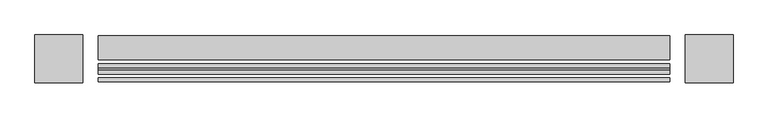
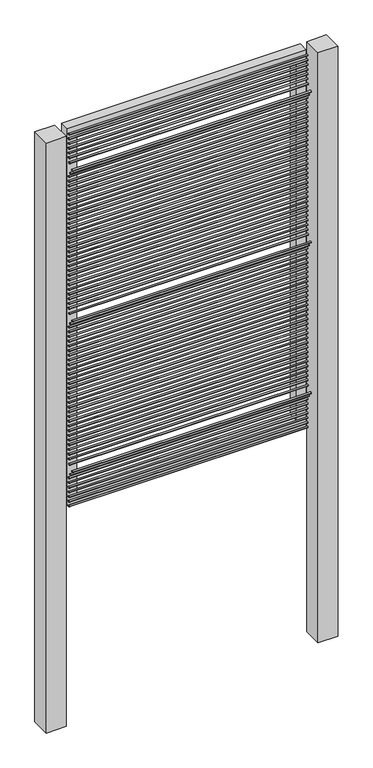
"""IFC4 building model written with IfcOpenShell, lengths in millimetres: railing geometry."""

from ifc_helpers import new_model, si_unit, point, frame, frame_2d, origin, place, context, project, spatial, polyline, circle_curve, trimmed, segment, composite_curve, outline, extrude, source, transform, mapped, element, save


def railing_7e72e81d(model_context):
    return source(origin(), model_context, "Body", "SweptSolid", [
        extrude(outline(composite_curve([segment(trimmed(circle_curve(frame_2d((13579.8304142, 28.575)), 3.175), [point((13576.6554142, 28.575))], [point((13583.0054142, 28.575))], False, "CARTESIAN"), True, "CONTINUOUS"), segment(trimmed(circle_curve(frame_2d((13579.8304142, 28.575)), 3.175), [point((13583.0054142, 28.575))], [point((13576.6554142, 28.575))], False, "CARTESIAN"), True, "CONTINUOUS")], self_intersect=False)), frame((-20979.3806958, 0.0, 0.0), z_axis=(1.0, 0.0, 0.0), x_axis=(0.0, 1.0, 0.0)), (0.0, 0.0, 1.0), 914.4),
        extrude(outline(composite_curve([segment(trimmed(circle_curve(frame_2d((13579.8304142, 47.625)), 3.175), [point((13576.6554142, 47.625))], [point((13583.0054142, 47.625))], False, "CARTESIAN"), True, "CONTINUOUS"), segment(trimmed(circle_curve(frame_2d((13579.8304142, 47.625)), 3.175), [point((13583.0054142, 47.625))], [point((13576.6554142, 47.625))], False, "CARTESIAN"), True, "CONTINUOUS")], self_intersect=False)), frame((-20979.3806958, 0.0, 0.0), z_axis=(1.0, 0.0, 0.0), x_axis=(0.0, 1.0, 0.0)), (0.0, 0.0, 1.0), 914.4),
        extrude(outline(composite_curve([segment(trimmed(circle_curve(frame_2d((13579.8304142, 66.675)), 3.175), [point((13576.6554142, 66.675))], [point((13583.0054142, 66.675))], False, "CARTESIAN"), True, "CONTINUOUS"), segment(trimmed(circle_curve(frame_2d((13579.8304142, 66.675)), 3.175), [point((13583.0054142, 66.675))], [point((13576.6554142, 66.675))], False, "CARTESIAN"), True, "CONTINUOUS")], self_intersect=False)), frame((-20979.3806958, 0.0, 0.0), z_axis=(1.0, 0.0, 0.0), x_axis=(0.0, 1.0, 0.0)), (0.0, 0.0, 1.0), 914.4),
        extrude(outline(composite_curve([segment(trimmed(circle_curve(frame_2d((13579.8304142, 85.725)), 3.175), [point((13576.6554142, 85.725))], [point((13583.0054142, 85.725))], False, "CARTESIAN"), True, "CONTINUOUS"), segment(trimmed(circle_curve(frame_2d((13579.8304142, 85.725)), 3.175), [point((13583.0054142, 85.725))], [point((13576.6554142, 85.725))], False, "CARTESIAN"), True, "CONTINUOUS")], self_intersect=False)), frame((-20979.3806958, 0.0, 0.0), z_axis=(1.0, 0.0, 0.0), x_axis=(0.0, 1.0, 0.0)), (0.0, 0.0, 1.0), 914.4),
        extrude(outline(composite_curve([segment(trimmed(circle_curve(frame_2d((13579.8304142, 104.775)), 3.175), [point((13576.6554142, 104.775))], [point((13583.0054142, 104.775))], False, "CARTESIAN"), True, "CONTINUOUS"), segment(trimmed(circle_curve(frame_2d((13579.8304142, 104.775)), 3.175), [point((13583.0054142, 104.775))], [point((13576.6554142, 104.775))], False, "CARTESIAN"), True, "CONTINUOUS")], self_intersect=False)), frame((-20979.3806958, 0.0, 0.0), z_axis=(1.0, 0.0, 0.0), x_axis=(0.0, 1.0, 0.0)), (0.0, 0.0, 1.0), 914.4),
        extrude(outline(composite_curve([segment(trimmed(circle_curve(frame_2d((13579.8304142, 123.825)), 3.175), [point((13576.6554142, 123.825))], [point((13583.0054142, 123.825))], False, "CARTESIAN"), True, "CONTINUOUS"), segment(trimmed(circle_curve(frame_2d((13579.8304142, 123.825)), 3.175), [point((13583.0054142, 123.825))], [point((13576.6554142, 123.825))], False, "CARTESIAN"), True, "CONTINUOUS")], self_intersect=False)), frame((-20979.3806958, 0.0, 0.0), z_axis=(1.0, 0.0, 0.0), x_axis=(0.0, 1.0, 0.0)), (0.0, 0.0, 1.0), 914.4),
        extrude(outline(composite_curve([segment(trimmed(circle_curve(frame_2d((13579.8304142, 142.875)), 3.175), [point((13576.6554142, 142.875))], [point((13583.0054142, 142.875))], False, "CARTESIAN"), True, "CONTINUOUS"), segment(trimmed(circle_curve(frame_2d((13579.8304142, 142.875)), 3.175), [point((13583.0054142, 142.875))], [point((13576.6554142, 142.875))], False, "CARTESIAN"), True, "CONTINUOUS")], self_intersect=False)), frame((-20979.3806958, 0.0, 0.0), z_axis=(1.0, 0.0, 0.0), x_axis=(0.0, 1.0, 0.0)), (0.0, 0.0, 1.0), 914.4),
        extrude(outline(composite_curve([segment(trimmed(circle_curve(frame_2d((13570.1771382, 161.925)), 3.175), [point((13567.0021382, 161.925))], [point((13573.3521382, 161.925))], False, "CARTESIAN"), True, "CONTINUOUS"), segment(trimmed(circle_curve(frame_2d((13570.1771382, 161.925)), 3.175), [point((13573.3521382, 161.925))], [point((13567.0021382, 161.925))], False, "CARTESIAN"), True, "CONTINUOUS")], self_intersect=False)), frame((-20979.3806958, 0.0, 0.0), z_axis=(1.0, 0.0, 0.0), x_axis=(0.0, 1.0, 0.0)), (0.0, 0.0, 1.0), 914.4),
        extrude(outline(composite_curve([segment(trimmed(circle_curve(frame_2d((13557.4771382, 180.975)), 3.175), [point((13554.3021382, 180.975))], [point((13560.6521382, 180.975))], False, "CARTESIAN"), True, "CONTINUOUS"), segment(trimmed(circle_curve(frame_2d((13557.4771382, 180.975)), 3.175), [point((13560.6521382, 180.975))], [point((13554.3021382, 180.975))], False, "CARTESIAN"), True, "CONTINUOUS")], self_intersect=False)), frame((-20979.3806958, 0.0, 0.0), z_axis=(1.0, 0.0, 0.0), x_axis=(0.0, 1.0, 0.0)), (0.0, 0.0, 1.0), 914.4),
        extrude(outline(composite_curve([segment(trimmed(circle_curve(frame_2d((13576.2585392, 200.025)), 3.175), [point((13573.0835392, 200.025))], [point((13579.4335392, 200.025))], False, "CARTESIAN"), True, "CONTINUOUS"), segment(trimmed(circle_curve(frame_2d((13576.2585392, 200.025)), 3.175), [point((13579.4335392, 200.025))], [point((13573.0835392, 200.025))], False, "CARTESIAN"), True, "CONTINUOUS")], self_intersect=False)), frame((-20979.3806958, 0.0, 0.0), z_axis=(1.0, 0.0, 0.0), x_axis=(0.0, 1.0, 0.0)), (0.0, 0.0, 1.0), 914.4),
        extrude(outline(composite_curve([segment(trimmed(circle_curve(frame_2d((13579.8304142, 219.075)), 3.175), [point((13576.6554142, 219.075))], [point((13583.0054142, 219.075))], False, "CARTESIAN"), True, "CONTINUOUS"), segment(trimmed(circle_curve(frame_2d((13579.8304142, 219.075)), 3.175), [point((13583.0054142, 219.075))], [point((13576.6554142, 219.075))], False, "CARTESIAN"), True, "CONTINUOUS")], self_intersect=False)), frame((-20979.3806958, 0.0, 0.0), z_axis=(1.0, 0.0, 0.0), x_axis=(0.0, 1.0, 0.0)), (0.0, 0.0, 1.0), 914.4),
        extrude(outline(composite_curve([segment(trimmed(circle_curve(frame_2d((13579.8304142, 238.125)), 3.175), [point((13576.6554142, 238.125))], [point((13583.0054142, 238.125))], False, "CARTESIAN"), True, "CONTINUOUS"), segment(trimmed(circle_curve(frame_2d((13579.8304142, 238.125)), 3.175), [point((13583.0054142, 238.125))], [point((13576.6554142, 238.125))], False, "CARTESIAN"), True, "CONTINUOUS")], self_intersect=False)), frame((-20979.3806958, 0.0, 0.0), z_axis=(1.0, 0.0, 0.0), x_axis=(0.0, 1.0, 0.0)), (0.0, 0.0, 1.0), 914.4),
        extrude(outline(composite_curve([segment(trimmed(circle_curve(frame_2d((13579.8304142, 257.175)), 3.175), [point((13576.6554142, 257.175))], [point((13583.0054142, 257.175))], False, "CARTESIAN"), True, "CONTINUOUS"), segment(trimmed(circle_curve(frame_2d((13579.8304142, 257.175)), 3.175), [point((13583.0054142, 257.175))], [point((13576.6554142, 257.175))], False, "CARTESIAN"), True, "CONTINUOUS")], self_intersect=False)), frame((-20979.3806958, 0.0, 0.0), z_axis=(1.0, 0.0, 0.0), x_axis=(0.0, 1.0, 0.0)), (0.0, 0.0, 1.0), 914.4),
        extrude(outline(composite_curve([segment(trimmed(circle_curve(frame_2d((13579.8304142, 276.225)), 3.175), [point((13576.6554142, 276.225))], [point((13583.0054142, 276.225))], False, "CARTESIAN"), True, "CONTINUOUS"), segment(trimmed(circle_curve(frame_2d((13579.8304142, 276.225)), 3.175), [point((13583.0054142, 276.225))], [point((13576.6554142, 276.225))], False, "CARTESIAN"), True, "CONTINUOUS")], self_intersect=False)), frame((-20979.3806958, 0.0, 0.0), z_axis=(1.0, 0.0, 0.0), x_axis=(0.0, 1.0, 0.0)), (0.0, 0.0, 1.0), 914.4),
        extrude(outline(composite_curve([segment(trimmed(circle_curve(frame_2d((13579.8304142, 295.275)), 3.175), [point((13576.6554142, 295.275))], [point((13583.0054142, 295.275))], False, "CARTESIAN"), True, "CONTINUOUS"), segment(trimmed(circle_curve(frame_2d((13579.8304142, 295.275)), 3.175), [point((13583.0054142, 295.275))], [point((13576.6554142, 295.275))], False, "CARTESIAN"), True, "CONTINUOUS")], self_intersect=False)), frame((-20979.3806958, 0.0, 0.0), z_axis=(1.0, 0.0, 0.0), x_axis=(0.0, 1.0, 0.0)), (0.0, 0.0, 1.0), 914.4),
        extrude(outline(composite_curve([segment(trimmed(circle_curve(frame_2d((13579.8304142, 314.325)), 3.175), [point((13576.6554142, 314.325))], [point((13583.0054142, 314.325))], False, "CARTESIAN"), True, "CONTINUOUS"), segment(trimmed(circle_curve(frame_2d((13579.8304142, 314.325)), 3.175), [point((13583.0054142, 314.325))], [point((13576.6554142, 314.325))], False, "CARTESIAN"), True, "CONTINUOUS")], self_intersect=False)), frame((-20979.3806958, 0.0, 0.0), z_axis=(1.0, 0.0, 0.0), x_axis=(0.0, 1.0, 0.0)), (0.0, 0.0, 1.0), 914.4),
        extrude(outline(composite_curve([segment(trimmed(circle_curve(frame_2d((13579.8304142, 333.375)), 3.175), [point((13576.6554142, 333.375))], [point((13583.0054142, 333.375))], False, "CARTESIAN"), True, "CONTINUOUS"), segment(trimmed(circle_curve(frame_2d((13579.8304142, 333.375)), 3.175), [point((13583.0054142, 333.375))], [point((13576.6554142, 333.375))], False, "CARTESIAN"), True, "CONTINUOUS")], self_intersect=False)), frame((-20979.3806958, 0.0, 0.0), z_axis=(1.0, 0.0, 0.0), x_axis=(0.0, 1.0, 0.0)), (0.0, 0.0, 1.0), 914.4),
        extrude(outline(composite_curve([segment(trimmed(circle_curve(frame_2d((13579.8304142, 352.425)), 3.175), [point((13576.6554142, 352.425))], [point((13583.0054142, 352.425))], False, "CARTESIAN"), True, "CONTINUOUS"), segment(trimmed(circle_curve(frame_2d((13579.8304142, 352.425)), 3.175), [point((13583.0054142, 352.425))], [point((13576.6554142, 352.425))], False, "CARTESIAN"), True, "CONTINUOUS")], self_intersect=False)), frame((-20979.3806958, 0.0, 0.0), z_axis=(1.0, 0.0, 0.0), x_axis=(0.0, 1.0, 0.0)), (0.0, 0.0, 1.0), 914.4),
        extrude(outline(composite_curve([segment(trimmed(circle_curve(frame_2d((13579.8304142, 371.475)), 3.175), [point((13576.6554142, 371.475))], [point((13583.0054142, 371.475))], False, "CARTESIAN"), True, "CONTINUOUS"), segment(trimmed(circle_curve(frame_2d((13579.8304142, 371.475)), 3.175), [point((13583.0054142, 371.475))], [point((13576.6554142, 371.475))], False, "CARTESIAN"), True, "CONTINUOUS")], self_intersect=False)), frame((-20979.3806958, 0.0, 0.0), z_axis=(1.0, 0.0, 0.0), x_axis=(0.0, 1.0, 0.0)), (0.0, 0.0, 1.0), 914.4),
        extrude(outline(composite_curve([segment(trimmed(circle_curve(frame_2d((13579.8304142, 390.525)), 3.175), [point((13576.6554142, 390.525))], [point((13583.0054142, 390.525))], False, "CARTESIAN"), True, "CONTINUOUS"), segment(trimmed(circle_curve(frame_2d((13579.8304142, 390.525)), 3.175), [point((13583.0054142, 390.525))], [point((13576.6554142, 390.525))], False, "CARTESIAN"), True, "CONTINUOUS")], self_intersect=False)), frame((-20979.3806958, 0.0, 0.0), z_axis=(1.0, 0.0, 0.0), x_axis=(0.0, 1.0, 0.0)), (0.0, 0.0, 1.0), 914.4),
        extrude(outline(composite_curve([segment(trimmed(circle_curve(frame_2d((13579.8304142, 409.575)), 3.175), [point((13576.6554142, 409.575))], [point((13583.0054142, 409.575))], False, "CARTESIAN"), True, "CONTINUOUS"), segment(trimmed(circle_curve(frame_2d((13579.8304142, 409.575)), 3.175), [point((13583.0054142, 409.575))], [point((13576.6554142, 409.575))], False, "CARTESIAN"), True, "CONTINUOUS")], self_intersect=False)), frame((-20979.3806958, 0.0, 0.0), z_axis=(1.0, 0.0, 0.0), x_axis=(0.0, 1.0, 0.0)), (0.0, 0.0, 1.0), 914.4),
        extrude(outline(composite_curve([segment(trimmed(circle_curve(frame_2d((13579.8304142, 428.625)), 3.175), [point((13576.6554142, 428.625))], [point((13583.0054142, 428.625))], False, "CARTESIAN"), True, "CONTINUOUS"), segment(trimmed(circle_curve(frame_2d((13579.8304142, 428.625)), 3.175), [point((13583.0054142, 428.625))], [point((13576.6554142, 428.625))], False, "CARTESIAN"), True, "CONTINUOUS")], self_intersect=False)), frame((-20979.3806958, 0.0, 0.0), z_axis=(1.0, 0.0, 0.0), x_axis=(0.0, 1.0, 0.0)), (0.0, 0.0, 1.0), 914.4),
        extrude(outline(composite_curve([segment(trimmed(circle_curve(frame_2d((13579.8304142, 447.675)), 3.175), [point((13576.6554142, 447.675))], [point((13583.0054142, 447.675))], False, "CARTESIAN"), True, "CONTINUOUS"), segment(trimmed(circle_curve(frame_2d((13579.8304142, 447.675)), 3.175), [point((13583.0054142, 447.675))], [point((13576.6554142, 447.675))], False, "CARTESIAN"), True, "CONTINUOUS")], self_intersect=False)), frame((-20979.3806958, 0.0, 0.0), z_axis=(1.0, 0.0, 0.0), x_axis=(0.0, 1.0, 0.0)), (0.0, 0.0, 1.0), 914.4),
        extrude(outline(composite_curve([segment(trimmed(circle_curve(frame_2d((13579.8304142, 466.725)), 3.175), [point((13576.6554142, 466.725))], [point((13583.0054142, 466.725))], False, "CARTESIAN"), True, "CONTINUOUS"), segment(trimmed(circle_curve(frame_2d((13579.8304142, 466.725)), 3.175), [point((13583.0054142, 466.725))], [point((13576.6554142, 466.725))], False, "CARTESIAN"), True, "CONTINUOUS")], self_intersect=False)), frame((-20979.3806958, 0.0, 0.0), z_axis=(1.0, 0.0, 0.0), x_axis=(0.0, 1.0, 0.0)), (0.0, 0.0, 1.0), 914.4),
        extrude(outline(composite_curve([segment(trimmed(circle_curve(frame_2d((13579.8304142, 485.775)), 3.175), [point((13576.6554142, 485.775))], [point((13583.0054142, 485.775))], False, "CARTESIAN"), True, "CONTINUOUS"), segment(trimmed(circle_curve(frame_2d((13579.8304142, 485.775)), 3.175), [point((13583.0054142, 485.775))], [point((13576.6554142, 485.775))], False, "CARTESIAN"), True, "CONTINUOUS")], self_intersect=False)), frame((-20979.3806958, 0.0, 0.0), z_axis=(1.0, 0.0, 0.0), x_axis=(0.0, 1.0, 0.0)), (0.0, 0.0, 1.0), 914.4),
        extrude(outline(composite_curve([segment(trimmed(circle_curve(frame_2d((13579.8304142, 504.825)), 3.175), [point((13576.6554142, 504.825))], [point((13583.0054142, 504.825))], False, "CARTESIAN"), True, "CONTINUOUS"), segment(trimmed(circle_curve(frame_2d((13579.8304142, 504.825)), 3.175), [point((13583.0054142, 504.825))], [point((13576.6554142, 504.825))], False, "CARTESIAN"), True, "CONTINUOUS")], self_intersect=False)), frame((-20979.3806958, 0.0, 0.0), z_axis=(1.0, 0.0, 0.0), x_axis=(0.0, 1.0, 0.0)), (0.0, 0.0, 1.0), 914.4),
        extrude(outline(composite_curve([segment(trimmed(circle_curve(frame_2d((13579.8304142, 523.875)), 3.175), [point((13576.6554142, 523.875))], [point((13583.0054142, 523.875))], False, "CARTESIAN"), True, "CONTINUOUS"), segment(trimmed(circle_curve(frame_2d((13579.8304142, 523.875)), 3.175), [point((13583.0054142, 523.875))], [point((13576.6554142, 523.875))], False, "CARTESIAN"), True, "CONTINUOUS")], self_intersect=False)), frame((-20979.3806958, 0.0, 0.0), z_axis=(1.0, 0.0, 0.0), x_axis=(0.0, 1.0, 0.0)), (0.0, 0.0, 1.0), 914.4),
        extrude(outline(composite_curve([segment(trimmed(circle_curve(frame_2d((13579.8304142, 542.925)), 3.175), [point((13576.6554142, 542.925))], [point((13583.0054142, 542.925))], False, "CARTESIAN"), True, "CONTINUOUS"), segment(trimmed(circle_curve(frame_2d((13579.8304142, 542.925)), 3.175), [point((13583.0054142, 542.925))], [point((13576.6554142, 542.925))], False, "CARTESIAN"), True, "CONTINUOUS")], self_intersect=False)), frame((-20979.3806958, 0.0, 0.0), z_axis=(1.0, 0.0, 0.0), x_axis=(0.0, 1.0, 0.0)), (0.0, 0.0, 1.0), 914.4),
        extrude(outline(composite_curve([segment(trimmed(circle_curve(frame_2d((13579.8304142, 561.975)), 3.175), [point((13576.6554142, 561.975))], [point((13583.0054142, 561.975))], False, "CARTESIAN"), True, "CONTINUOUS"), segment(trimmed(circle_curve(frame_2d((13579.8304142, 561.975)), 3.175), [point((13583.0054142, 561.975))], [point((13576.6554142, 561.975))], False, "CARTESIAN"), True, "CONTINUOUS")], self_intersect=False)), frame((-20979.3806958, 0.0, 0.0), z_axis=(1.0, 0.0, 0.0), x_axis=(0.0, 1.0, 0.0)), (0.0, 0.0, 1.0), 914.4),
        extrude(outline(composite_curve([segment(trimmed(circle_curve(frame_2d((13579.8304142, 581.025)), 3.175), [point((13576.6554142, 581.025))], [point((13583.0054142, 581.025))], False, "CARTESIAN"), True, "CONTINUOUS"), segment(trimmed(circle_curve(frame_2d((13579.8304142, 581.025)), 3.175), [point((13583.0054142, 581.025))], [point((13576.6554142, 581.025))], False, "CARTESIAN"), True, "CONTINUOUS")], self_intersect=False)), frame((-20979.3806958, 0.0, 0.0), z_axis=(1.0, 0.0, 0.0), x_axis=(0.0, 1.0, 0.0)), (0.0, 0.0, 1.0), 914.4),
        extrude(outline(composite_curve([segment(trimmed(circle_curve(frame_2d((13579.8304142, 600.075)), 3.175), [point((13576.6554142, 600.075))], [point((13583.0054142, 600.075))], False, "CARTESIAN"), True, "CONTINUOUS"), segment(trimmed(circle_curve(frame_2d((13579.8304142, 600.075)), 3.175), [point((13583.0054142, 600.075))], [point((13576.6554142, 600.075))], False, "CARTESIAN"), True, "CONTINUOUS")], self_intersect=False)), frame((-20979.3806958, 0.0, 0.0), z_axis=(1.0, 0.0, 0.0), x_axis=(0.0, 1.0, 0.0)), (0.0, 0.0, 1.0), 914.4),
        extrude(outline(composite_curve([segment(trimmed(circle_curve(frame_2d((13579.8304142, 619.125)), 3.175), [point((13576.6554142, 619.125))], [point((13583.0054142, 619.125))], False, "CARTESIAN"), True, "CONTINUOUS"), segment(trimmed(circle_curve(frame_2d((13579.8304142, 619.125)), 3.175), [point((13583.0054142, 619.125))], [point((13576.6554142, 619.125))], False, "CARTESIAN"), True, "CONTINUOUS")], self_intersect=False)), frame((-20979.3806958, 0.0, 0.0), z_axis=(1.0, 0.0, 0.0), x_axis=(0.0, 1.0, 0.0)), (0.0, 0.0, 1.0), 914.4),
        extrude(outline(composite_curve([segment(trimmed(circle_curve(frame_2d((13579.8304142, 638.175)), 3.175), [point((13576.6554142, 638.175))], [point((13583.0054142, 638.175))], False, "CARTESIAN"), True, "CONTINUOUS"), segment(trimmed(circle_curve(frame_2d((13579.8304142, 638.175)), 3.175), [point((13583.0054142, 638.175))], [point((13576.6554142, 638.175))], False, "CARTESIAN"), True, "CONTINUOUS")], self_intersect=False)), frame((-20979.3806958, 0.0, 0.0), z_axis=(1.0, 0.0, 0.0), x_axis=(0.0, 1.0, 0.0)), (0.0, 0.0, 1.0), 914.4),
        extrude(outline(composite_curve([segment(trimmed(circle_curve(frame_2d((13579.8304142, 657.225)), 3.175), [point((13576.6554142, 657.225))], [point((13583.0054142, 657.225))], False, "CARTESIAN"), True, "CONTINUOUS"), segment(trimmed(circle_curve(frame_2d((13579.8304142, 657.225)), 3.175), [point((13583.0054142, 657.225))], [point((13576.6554142, 657.225))], False, "CARTESIAN"), True, "CONTINUOUS")], self_intersect=False)), frame((-20979.3806958, 0.0, 0.0), z_axis=(1.0, 0.0, 0.0), x_axis=(0.0, 1.0, 0.0)), (0.0, 0.0, 1.0), 914.4),
        extrude(outline(composite_curve([segment(trimmed(circle_curve(frame_2d((13579.8304142, 676.275)), 3.175), [point((13576.6554142, 676.275))], [point((13583.0054142, 676.275))], False, "CARTESIAN"), True, "CONTINUOUS"), segment(trimmed(circle_curve(frame_2d((13579.8304142, 676.275)), 3.175), [point((13583.0054142, 676.275))], [point((13576.6554142, 676.275))], False, "CARTESIAN"), True, "CONTINUOUS")], self_intersect=False)), frame((-20979.3806958, 0.0, 0.0), z_axis=(1.0, 0.0, 0.0), x_axis=(0.0, 1.0, 0.0)), (0.0, 0.0, 1.0), 914.4),
        extrude(outline(composite_curve([segment(trimmed(circle_curve(frame_2d((13579.8304142, 695.325)), 3.175), [point((13576.6554142, 695.325))], [point((13583.0054142, 695.325))], False, "CARTESIAN"), True, "CONTINUOUS"), segment(trimmed(circle_curve(frame_2d((13579.8304142, 695.325)), 3.175), [point((13583.0054142, 695.325))], [point((13576.6554142, 695.325))], False, "CARTESIAN"), True, "CONTINUOUS")], self_intersect=False)), frame((-20979.3806958, 0.0, 0.0), z_axis=(1.0, 0.0, 0.0), x_axis=(0.0, 1.0, 0.0)), (0.0, 0.0, 1.0), 914.4),
        extrude(outline(composite_curve([segment(trimmed(circle_curve(frame_2d((13579.8304142, 714.375)), 3.175), [point((13576.6554142, 714.375))], [point((13583.0054142, 714.375))], False, "CARTESIAN"), True, "CONTINUOUS"), segment(trimmed(circle_curve(frame_2d((13579.8304142, 714.375)), 3.175), [point((13583.0054142, 714.375))], [point((13576.6554142, 714.375))], False, "CARTESIAN"), True, "CONTINUOUS")], self_intersect=False)), frame((-20979.3806958, 0.0, 0.0), z_axis=(1.0, 0.0, 0.0), x_axis=(0.0, 1.0, 0.0)), (0.0, 0.0, 1.0), 914.4),
        extrude(outline(composite_curve([segment(trimmed(circle_curve(frame_2d((13579.8304142, 733.425)), 3.175), [point((13576.6554142, 733.425))], [point((13583.0054142, 733.425))], False, "CARTESIAN"), True, "CONTINUOUS"), segment(trimmed(circle_curve(frame_2d((13579.8304142, 733.425)), 3.175), [point((13583.0054142, 733.425))], [point((13576.6554142, 733.425))], False, "CARTESIAN"), True, "CONTINUOUS")], self_intersect=False)), frame((-20979.3806958, 0.0, 0.0), z_axis=(1.0, 0.0, 0.0), x_axis=(0.0, 1.0, 0.0)), (0.0, 0.0, 1.0), 914.4),
        extrude(outline(composite_curve([segment(trimmed(circle_curve(frame_2d((13579.8304142, 752.475)), 3.175), [point((13576.6554142, 752.475))], [point((13583.0054142, 752.475))], False, "CARTESIAN"), True, "CONTINUOUS"), segment(trimmed(circle_curve(frame_2d((13579.8304142, 752.475)), 3.175), [point((13583.0054142, 752.475))], [point((13576.6554142, 752.475))], False, "CARTESIAN"), True, "CONTINUOUS")], self_intersect=False)), frame((-20979.3806958, 0.0, 0.0), z_axis=(1.0, 0.0, 0.0), x_axis=(0.0, 1.0, 0.0)), (0.0, 0.0, 1.0), 914.4),
        extrude(outline(composite_curve([segment(trimmed(circle_curve(frame_2d((13570.3054142, 771.525)), 3.175), [point((13567.1304142, 771.525))], [point((13573.4804142, 771.525))], False, "CARTESIAN"), True, "CONTINUOUS"), segment(trimmed(circle_curve(frame_2d((13570.3054142, 771.525)), 3.175), [point((13573.4804142, 771.525))], [point((13567.1304142, 771.525))], False, "CARTESIAN"), True, "CONTINUOUS")], self_intersect=False)), frame((-20979.3806958, 0.0, 0.0), z_axis=(1.0, 0.0, 0.0), x_axis=(0.0, 1.0, 0.0)), (0.0, 0.0, 1.0), 914.4),
        extrude(outline(composite_curve([segment(trimmed(circle_curve(frame_2d((13557.6054142, 790.575)), 3.175), [point((13554.4304142, 790.575))], [point((13560.7804142, 790.575))], False, "CARTESIAN"), True, "CONTINUOUS"), segment(trimmed(circle_curve(frame_2d((13557.6054142, 790.575)), 3.175), [point((13560.7804142, 790.575))], [point((13554.4304142, 790.575))], False, "CARTESIAN"), True, "CONTINUOUS")], self_intersect=False)), frame((-20979.3806958, 0.0, 0.0), z_axis=(1.0, 0.0, 0.0), x_axis=(0.0, 1.0, 0.0)), (0.0, 0.0, 1.0), 914.4),
        extrude(outline(composite_curve([segment(trimmed(circle_curve(frame_2d((13576.6554142, 809.625)), 3.175), [point((13573.4804142, 809.625))], [point((13579.8304142, 809.625))], False, "CARTESIAN"), True, "CONTINUOUS"), segment(trimmed(circle_curve(frame_2d((13576.6554142, 809.625)), 3.175), [point((13579.8304142, 809.625))], [point((13573.4804142, 809.625))], False, "CARTESIAN"), True, "CONTINUOUS")], self_intersect=False)), frame((-20979.3806958, 0.0, 0.0), z_axis=(1.0, 0.0, 0.0), x_axis=(0.0, 1.0, 0.0)), (0.0, 0.0, 1.0), 914.4),
        extrude(outline(composite_curve([segment(trimmed(circle_curve(frame_2d((13579.8304142, 828.675)), 3.175), [point((13576.6554142, 828.675))], [point((13583.0054142, 828.675))], False, "CARTESIAN"), True, "CONTINUOUS"), segment(trimmed(circle_curve(frame_2d((13579.8304142, 828.675)), 3.175), [point((13583.0054142, 828.675))], [point((13576.6554142, 828.675))], False, "CARTESIAN"), True, "CONTINUOUS")], self_intersect=False)), frame((-20979.3806958, 0.0, 0.0), z_axis=(1.0, 0.0, 0.0), x_axis=(0.0, 1.0, 0.0)), (0.0, 0.0, 1.0), 914.4),
        extrude(outline(composite_curve([segment(trimmed(circle_curve(frame_2d((13579.8304142, 847.725)), 3.175), [point((13576.6554142, 847.725))], [point((13583.0054142, 847.725))], False, "CARTESIAN"), True, "CONTINUOUS"), segment(trimmed(circle_curve(frame_2d((13579.8304142, 847.725)), 3.175), [point((13583.0054142, 847.725))], [point((13576.6554142, 847.725))], False, "CARTESIAN"), True, "CONTINUOUS")], self_intersect=False)), frame((-20979.3806958, 0.0, 0.0), z_axis=(1.0, 0.0, 0.0), x_axis=(0.0, 1.0, 0.0)), (0.0, 0.0, 1.0), 914.4),
        extrude(outline(composite_curve([segment(trimmed(circle_curve(frame_2d((13579.8304142, 866.775)), 3.175), [point((13576.6554142, 866.775))], [point((13583.0054142, 866.775))], False, "CARTESIAN"), True, "CONTINUOUS"), segment(trimmed(circle_curve(frame_2d((13579.8304142, 866.775)), 3.175), [point((13583.0054142, 866.775))], [point((13576.6554142, 866.775))], False, "CARTESIAN"), True, "CONTINUOUS")], self_intersect=False)), frame((-20979.3806958, 0.0, 0.0), z_axis=(1.0, 0.0, 0.0), x_axis=(0.0, 1.0, 0.0)), (0.0, 0.0, 1.0), 914.4),
        extrude(outline(composite_curve([segment(trimmed(circle_curve(frame_2d((13579.8304142, 885.825)), 3.175), [point((13576.6554142, 885.825))], [point((13583.0054142, 885.825))], False, "CARTESIAN"), True, "CONTINUOUS"), segment(trimmed(circle_curve(frame_2d((13579.8304142, 885.825)), 3.175), [point((13583.0054142, 885.825))], [point((13576.6554142, 885.825))], False, "CARTESIAN"), True, "CONTINUOUS")], self_intersect=False)), frame((-20979.3806958, 0.0, 0.0), z_axis=(1.0, 0.0, 0.0), x_axis=(0.0, 1.0, 0.0)), (0.0, 0.0, 1.0), 914.4),
        extrude(outline(composite_curve([segment(trimmed(circle_curve(frame_2d((13579.8304142, 904.875)), 3.175), [point((13576.6554142, 904.875))], [point((13583.0054142, 904.875))], False, "CARTESIAN"), True, "CONTINUOUS"), segment(trimmed(circle_curve(frame_2d((13579.8304142, 904.875)), 3.175), [point((13583.0054142, 904.875))], [point((13576.6554142, 904.875))], False, "CARTESIAN"), True, "CONTINUOUS")], self_intersect=False)), frame((-20979.3806958, 0.0, 0.0), z_axis=(1.0, 0.0, 0.0), x_axis=(0.0, 1.0, 0.0)), (0.0, 0.0, 1.0), 914.4),
        extrude(outline(composite_curve([segment(trimmed(circle_curve(frame_2d((13579.8304142, 923.925)), 3.175), [point((13576.6554142, 923.925))], [point((13583.0054142, 923.925))], False, "CARTESIAN"), True, "CONTINUOUS"), segment(trimmed(circle_curve(frame_2d((13579.8304142, 923.925)), 3.175), [point((13583.0054142, 923.925))], [point((13576.6554142, 923.925))], False, "CARTESIAN"), True, "CONTINUOUS")], self_intersect=False)), frame((-20979.3806958, 0.0, 0.0), z_axis=(1.0, 0.0, 0.0), x_axis=(0.0, 1.0, 0.0)), (0.0, 0.0, 1.0), 914.4),
        extrude(outline(composite_curve([segment(trimmed(circle_curve(frame_2d((13579.8304142, 942.975)), 3.175), [point((13576.6554142, 942.975))], [point((13583.0054142, 942.975))], False, "CARTESIAN"), True, "CONTINUOUS"), segment(trimmed(circle_curve(frame_2d((13579.8304142, 942.975)), 3.175), [point((13583.0054142, 942.975))], [point((13576.6554142, 942.975))], False, "CARTESIAN"), True, "CONTINUOUS")], self_intersect=False)), frame((-20979.3806958, 0.0, 0.0), z_axis=(1.0, 0.0, 0.0), x_axis=(0.0, 1.0, 0.0)), (0.0, 0.0, 1.0), 914.4),
        extrude(outline(composite_curve([segment(trimmed(circle_curve(frame_2d((13579.8304142, 962.025)), 3.175), [point((13576.6554142, 962.025))], [point((13583.0054142, 962.025))], False, "CARTESIAN"), True, "CONTINUOUS"), segment(trimmed(circle_curve(frame_2d((13579.8304142, 962.025)), 3.175), [point((13583.0054142, 962.025))], [point((13576.6554142, 962.025))], False, "CARTESIAN"), True, "CONTINUOUS")], self_intersect=False)), frame((-20979.3806958, 0.0, 0.0), z_axis=(1.0, 0.0, 0.0), x_axis=(0.0, 1.0, 0.0)), (0.0, 0.0, 1.0), 914.4),
        extrude(outline(composite_curve([segment(trimmed(circle_curve(frame_2d((13579.8304142, 981.075)), 3.175), [point((13576.6554142, 981.075))], [point((13583.0054142, 981.075))], False, "CARTESIAN"), True, "CONTINUOUS"), segment(trimmed(circle_curve(frame_2d((13579.8304142, 981.075)), 3.175), [point((13583.0054142, 981.075))], [point((13576.6554142, 981.075))], False, "CARTESIAN"), True, "CONTINUOUS")], self_intersect=False)), frame((-20979.3806958, 0.0, 0.0), z_axis=(1.0, 0.0, 0.0), x_axis=(0.0, 1.0, 0.0)), (0.0, 0.0, 1.0), 914.4),
        extrude(outline(composite_curve([segment(trimmed(circle_curve(frame_2d((13579.8304142, 1000.125)), 3.175), [point((13576.6554142, 1000.125))], [point((13583.0054142, 1000.125))], False, "CARTESIAN"), True, "CONTINUOUS"), segment(trimmed(circle_curve(frame_2d((13579.8304142, 1000.125)), 3.175), [point((13583.0054142, 1000.125))], [point((13576.6554142, 1000.125))], False, "CARTESIAN"), True, "CONTINUOUS")], self_intersect=False)), frame((-20979.3806958, 0.0, 0.0), z_axis=(1.0, 0.0, 0.0), x_axis=(0.0, 1.0, 0.0)), (0.0, 0.0, 1.0), 914.4),
        extrude(outline(composite_curve([segment(trimmed(circle_curve(frame_2d((13579.8304142, 1019.175)), 3.175), [point((13576.6554142, 1019.175))], [point((13583.0054142, 1019.175))], False, "CARTESIAN"), True, "CONTINUOUS"), segment(trimmed(circle_curve(frame_2d((13579.8304142, 1019.175)), 3.175), [point((13583.0054142, 1019.175))], [point((13576.6554142, 1019.175))], False, "CARTESIAN"), True, "CONTINUOUS")], self_intersect=False)), frame((-20979.3806958, 0.0, 0.0), z_axis=(1.0, 0.0, 0.0), x_axis=(0.0, 1.0, 0.0)), (0.0, 0.0, 1.0), 914.4),
        extrude(outline(composite_curve([segment(trimmed(circle_curve(frame_2d((13579.8304142, 1038.225)), 3.175), [point((13576.6554142, 1038.225))], [point((13583.0054142, 1038.225))], False, "CARTESIAN"), True, "CONTINUOUS"), segment(trimmed(circle_curve(frame_2d((13579.8304142, 1038.225)), 3.175), [point((13583.0054142, 1038.225))], [point((13576.6554142, 1038.225))], False, "CARTESIAN"), True, "CONTINUOUS")], self_intersect=False)), frame((-20979.3806958, 0.0, 0.0), z_axis=(1.0, 0.0, 0.0), x_axis=(0.0, 1.0, 0.0)), (0.0, 0.0, 1.0), 914.4),
        extrude(outline(composite_curve([segment(trimmed(circle_curve(frame_2d((13579.8304142, 1057.275)), 3.175), [point((13576.6554142, 1057.275))], [point((13583.0054142, 1057.275))], False, "CARTESIAN"), True, "CONTINUOUS"), segment(trimmed(circle_curve(frame_2d((13579.8304142, 1057.275)), 3.175), [point((13583.0054142, 1057.275))], [point((13576.6554142, 1057.275))], False, "CARTESIAN"), True, "CONTINUOUS")], self_intersect=False)), frame((-20979.3806958, 0.0, 0.0), z_axis=(1.0, 0.0, 0.0), x_axis=(0.0, 1.0, 0.0)), (0.0, 0.0, 1.0), 914.4),
        extrude(outline(composite_curve([segment(trimmed(circle_curve(frame_2d((13579.8304142, 1076.325)), 3.175), [point((13576.6554142, 1076.325))], [point((13583.0054142, 1076.325))], False, "CARTESIAN"), True, "CONTINUOUS"), segment(trimmed(circle_curve(frame_2d((13579.8304142, 1076.325)), 3.175), [point((13583.0054142, 1076.325))], [point((13576.6554142, 1076.325))], False, "CARTESIAN"), True, "CONTINUOUS")], self_intersect=False)), frame((-20979.3806958, 0.0, 0.0), z_axis=(1.0, 0.0, 0.0), x_axis=(0.0, 1.0, 0.0)), (0.0, 0.0, 1.0), 914.4),
        extrude(outline(composite_curve([segment(trimmed(circle_curve(frame_2d((13579.8304142, 1095.375)), 3.175), [point((13576.6554142, 1095.375))], [point((13583.0054142, 1095.375))], False, "CARTESIAN"), True, "CONTINUOUS"), segment(trimmed(circle_curve(frame_2d((13579.8304142, 1095.375)), 3.175), [point((13583.0054142, 1095.375))], [point((13576.6554142, 1095.375))], False, "CARTESIAN"), True, "CONTINUOUS")], self_intersect=False)), frame((-20979.3806958, 0.0, 0.0), z_axis=(1.0, 0.0, 0.0), x_axis=(0.0, 1.0, 0.0)), (0.0, 0.0, 1.0), 914.4),
        extrude(outline(composite_curve([segment(trimmed(circle_curve(frame_2d((13579.8304142, 1114.425)), 3.175), [point((13576.6554142, 1114.425))], [point((13583.0054142, 1114.425))], False, "CARTESIAN"), True, "CONTINUOUS"), segment(trimmed(circle_curve(frame_2d((13579.8304142, 1114.425)), 3.175), [point((13583.0054142, 1114.425))], [point((13576.6554142, 1114.425))], False, "CARTESIAN"), True, "CONTINUOUS")], self_intersect=False)), frame((-20979.3806958, 0.0, 0.0), z_axis=(1.0, 0.0, 0.0), x_axis=(0.0, 1.0, 0.0)), (0.0, 0.0, 1.0), 914.4),
        extrude(outline(composite_curve([segment(trimmed(circle_curve(frame_2d((13579.8304142, 1133.475)), 3.175), [point((13576.6554142, 1133.475))], [point((13583.0054142, 1133.475))], False, "CARTESIAN"), True, "CONTINUOUS"), segment(trimmed(circle_curve(frame_2d((13579.8304142, 1133.475)), 3.175), [point((13583.0054142, 1133.475))], [point((13576.6554142, 1133.475))], False, "CARTESIAN"), True, "CONTINUOUS")], self_intersect=False)), frame((-20979.3806958, 0.0, 0.0), z_axis=(1.0, 0.0, 0.0), x_axis=(0.0, 1.0, 0.0)), (0.0, 0.0, 1.0), 914.4),
        extrude(outline(composite_curve([segment(trimmed(circle_curve(frame_2d((13579.8304142, 1152.525)), 3.175), [point((13576.6554142, 1152.525))], [point((13583.0054142, 1152.525))], False, "CARTESIAN"), True, "CONTINUOUS"), segment(trimmed(circle_curve(frame_2d((13579.8304142, 1152.525)), 3.175), [point((13583.0054142, 1152.525))], [point((13576.6554142, 1152.525))], False, "CARTESIAN"), True, "CONTINUOUS")], self_intersect=False)), frame((-20979.3806958, 0.0, 0.0), z_axis=(1.0, 0.0, 0.0), x_axis=(0.0, 1.0, 0.0)), (0.0, 0.0, 1.0), 914.4),
        extrude(outline(composite_curve([segment(trimmed(circle_curve(frame_2d((13579.8304142, 1171.575)), 3.175), [point((13576.6554142, 1171.575))], [point((13583.0054142, 1171.575))], False, "CARTESIAN"), True, "CONTINUOUS"), segment(trimmed(circle_curve(frame_2d((13579.8304142, 1171.575)), 3.175), [point((13583.0054142, 1171.575))], [point((13576.6554142, 1171.575))], False, "CARTESIAN"), True, "CONTINUOUS")], self_intersect=False)), frame((-20979.3806958, 0.0, 0.0), z_axis=(1.0, 0.0, 0.0), x_axis=(0.0, 1.0, 0.0)), (0.0, 0.0, 1.0), 914.4),
        extrude(outline(composite_curve([segment(trimmed(circle_curve(frame_2d((13579.8304142, 1190.625)), 3.175), [point((13576.6554142, 1190.625))], [point((13583.0054142, 1190.625))], False, "CARTESIAN"), True, "CONTINUOUS"), segment(trimmed(circle_curve(frame_2d((13579.8304142, 1190.625)), 3.175), [point((13583.0054142, 1190.625))], [point((13576.6554142, 1190.625))], False, "CARTESIAN"), True, "CONTINUOUS")], self_intersect=False)), frame((-20979.3806958, 0.0, 0.0), z_axis=(1.0, 0.0, 0.0), x_axis=(0.0, 1.0, 0.0)), (0.0, 0.0, 1.0), 914.4),
        extrude(outline(composite_curve([segment(trimmed(circle_curve(frame_2d((13579.8304142, 1209.675)), 3.175), [point((13576.6554142, 1209.675))], [point((13583.0054142, 1209.675))], False, "CARTESIAN"), True, "CONTINUOUS"), segment(trimmed(circle_curve(frame_2d((13579.8304142, 1209.675)), 3.175), [point((13583.0054142, 1209.675))], [point((13576.6554142, 1209.675))], False, "CARTESIAN"), True, "CONTINUOUS")], self_intersect=False)), frame((-20979.3806958, 0.0, 0.0), z_axis=(1.0, 0.0, 0.0), x_axis=(0.0, 1.0, 0.0)), (0.0, 0.0, 1.0), 914.4),
        extrude(outline(composite_curve([segment(trimmed(circle_curve(frame_2d((13579.8304142, 1228.725)), 3.175), [point((13576.6554142, 1228.725))], [point((13583.0054142, 1228.725))], False, "CARTESIAN"), True, "CONTINUOUS"), segment(trimmed(circle_curve(frame_2d((13579.8304142, 1228.725)), 3.175), [point((13583.0054142, 1228.725))], [point((13576.6554142, 1228.725))], False, "CARTESIAN"), True, "CONTINUOUS")], self_intersect=False)), frame((-20979.3806958, 0.0, 0.0), z_axis=(1.0, 0.0, 0.0), x_axis=(0.0, 1.0, 0.0)), (0.0, 0.0, 1.0), 914.4),
        extrude(outline(composite_curve([segment(trimmed(circle_curve(frame_2d((13579.8304142, 1247.775)), 3.175), [point((13576.6554142, 1247.775))], [point((13583.0054142, 1247.775))], False, "CARTESIAN"), True, "CONTINUOUS"), segment(trimmed(circle_curve(frame_2d((13579.8304142, 1247.775)), 3.175), [point((13583.0054142, 1247.775))], [point((13576.6554142, 1247.775))], False, "CARTESIAN"), True, "CONTINUOUS")], self_intersect=False)), frame((-20979.3806958, 0.0, 0.0), z_axis=(1.0, 0.0, 0.0), x_axis=(0.0, 1.0, 0.0)), (0.0, 0.0, 1.0), 914.4),
        extrude(outline(composite_curve([segment(trimmed(circle_curve(frame_2d((13579.8304142, 1266.825)), 3.175), [point((13576.6554142, 1266.825))], [point((13583.0054142, 1266.825))], False, "CARTESIAN"), True, "CONTINUOUS"), segment(trimmed(circle_curve(frame_2d((13579.8304142, 1266.825)), 3.175), [point((13583.0054142, 1266.825))], [point((13576.6554142, 1266.825))], False, "CARTESIAN"), True, "CONTINUOUS")], self_intersect=False)), frame((-20979.3806958, 0.0, 0.0), z_axis=(1.0, 0.0, 0.0), x_axis=(0.0, 1.0, 0.0)), (0.0, 0.0, 1.0), 914.4),
        extrude(outline(composite_curve([segment(trimmed(circle_curve(frame_2d((13579.8304142, 1285.875)), 3.175), [point((13576.6554142, 1285.875))], [point((13583.0054142, 1285.875))], False, "CARTESIAN"), True, "CONTINUOUS"), segment(trimmed(circle_curve(frame_2d((13579.8304142, 1285.875)), 3.175), [point((13583.0054142, 1285.875))], [point((13576.6554142, 1285.875))], False, "CARTESIAN"), True, "CONTINUOUS")], self_intersect=False)), frame((-20979.3806958, 0.0, 0.0), z_axis=(1.0, 0.0, 0.0), x_axis=(0.0, 1.0, 0.0)), (0.0, 0.0, 1.0), 914.4),
        extrude(outline(composite_curve([segment(trimmed(circle_curve(frame_2d((13579.8304142, 1304.925)), 3.175), [point((13576.6554142, 1304.925))], [point((13583.0054142, 1304.925))], False, "CARTESIAN"), True, "CONTINUOUS"), segment(trimmed(circle_curve(frame_2d((13579.8304142, 1304.925)), 3.175), [point((13583.0054142, 1304.925))], [point((13576.6554142, 1304.925))], False, "CARTESIAN"), True, "CONTINUOUS")], self_intersect=False)), frame((-20979.3806958, 0.0, 0.0), z_axis=(1.0, 0.0, 0.0), x_axis=(0.0, 1.0, 0.0)), (0.0, 0.0, 1.0), 914.4),
        extrude(outline(composite_curve([segment(trimmed(circle_curve(frame_2d((13579.8304142, 1323.975)), 3.175), [point((13576.6554142, 1323.975))], [point((13583.0054142, 1323.975))], False, "CARTESIAN"), True, "CONTINUOUS"), segment(trimmed(circle_curve(frame_2d((13579.8304142, 1323.975)), 3.175), [point((13583.0054142, 1323.975))], [point((13576.6554142, 1323.975))], False, "CARTESIAN"), True, "CONTINUOUS")], self_intersect=False)), frame((-20979.3806958, 0.0, 0.0), z_axis=(1.0, 0.0, 0.0), x_axis=(0.0, 1.0, 0.0)), (0.0, 0.0, 1.0), 914.4),
        extrude(outline(composite_curve([segment(trimmed(circle_curve(frame_2d((13579.8304142, 1343.025)), 3.175), [point((13576.6554142, 1343.025))], [point((13583.0054142, 1343.025))], False, "CARTESIAN"), True, "CONTINUOUS"), segment(trimmed(circle_curve(frame_2d((13579.8304142, 1343.025)), 3.175), [point((13583.0054142, 1343.025))], [point((13576.6554142, 1343.025))], False, "CARTESIAN"), True, "CONTINUOUS")], self_intersect=False)), frame((-20979.3806958, 0.0, 0.0), z_axis=(1.0, 0.0, 0.0), x_axis=(0.0, 1.0, 0.0)), (0.0, 0.0, 1.0), 914.4),
        extrude(outline(composite_curve([segment(trimmed(circle_curve(frame_2d((13579.8304142, 1362.075)), 3.175), [point((13576.6554142, 1362.075))], [point((13583.0054142, 1362.075))], False, "CARTESIAN"), True, "CONTINUOUS"), segment(trimmed(circle_curve(frame_2d((13579.8304142, 1362.075)), 3.175), [point((13583.0054142, 1362.075))], [point((13576.6554142, 1362.075))], False, "CARTESIAN"), True, "CONTINUOUS")], self_intersect=False)), frame((-20979.3806958, 0.0, 0.0), z_axis=(1.0, 0.0, 0.0), x_axis=(0.0, 1.0, 0.0)), (0.0, 0.0, 1.0), 914.4),
        extrude(outline(composite_curve([segment(trimmed(circle_curve(frame_2d((13569.5116642, 1381.125)), 3.175), [point((13566.3366642, 1381.125))], [point((13572.6866642, 1381.125))], False, "CARTESIAN"), True, "CONTINUOUS"), segment(trimmed(circle_curve(frame_2d((13569.5116642, 1381.125)), 3.175), [point((13572.6866642, 1381.125))], [point((13566.3366642, 1381.125))], False, "CARTESIAN"), True, "CONTINUOUS")], self_intersect=False)), frame((-20979.3806958, 0.0, 0.0), z_axis=(1.0, 0.0, 0.0), x_axis=(0.0, 1.0, 0.0)), (0.0, 0.0, 1.0), 914.4),
        extrude(outline(composite_curve([segment(trimmed(circle_curve(frame_2d((13557.6054142, 1400.175)), 3.175), [point((13554.4304142, 1400.175))], [point((13560.7804142, 1400.175))], False, "CARTESIAN"), True, "CONTINUOUS"), segment(trimmed(circle_curve(frame_2d((13557.6054142, 1400.175)), 3.175), [point((13560.7804142, 1400.175))], [point((13554.4304142, 1400.175))], False, "CARTESIAN"), True, "CONTINUOUS")], self_intersect=False)), frame((-20979.3806958, 0.0, 0.0), z_axis=(1.0, 0.0, 0.0), x_axis=(0.0, 1.0, 0.0)), (0.0, 0.0, 1.0), 914.4),
        extrude(outline(composite_curve([segment(trimmed(circle_curve(frame_2d((13576.6554142, 1419.225)), 3.175), [point((13573.4804142, 1419.225))], [point((13579.8304142, 1419.225))], False, "CARTESIAN"), True, "CONTINUOUS"), segment(trimmed(circle_curve(frame_2d((13576.6554142, 1419.225)), 3.175), [point((13579.8304142, 1419.225))], [point((13573.4804142, 1419.225))], False, "CARTESIAN"), True, "CONTINUOUS")], self_intersect=False)), frame((-20979.3806958, 0.0, 0.0), z_axis=(1.0, 0.0, 0.0), x_axis=(0.0, 1.0, 0.0)), (0.0, 0.0, 1.0), 914.4),
        extrude(outline(composite_curve([segment(trimmed(circle_curve(frame_2d((13579.8304142, 1438.275)), 3.175), [point((13576.6554142, 1438.275))], [point((13583.0054142, 1438.275))], False, "CARTESIAN"), True, "CONTINUOUS"), segment(trimmed(circle_curve(frame_2d((13579.8304142, 1438.275)), 3.175), [point((13583.0054142, 1438.275))], [point((13576.6554142, 1438.275))], False, "CARTESIAN"), True, "CONTINUOUS")], self_intersect=False)), frame((-20979.3806958, 0.0, 0.0), z_axis=(1.0, 0.0, 0.0), x_axis=(0.0, 1.0, 0.0)), (0.0, 0.0, 1.0), 914.4),
        extrude(outline(composite_curve([segment(trimmed(circle_curve(frame_2d((13579.8304142, 1457.325)), 3.175), [point((13576.6554142, 1457.325))], [point((13583.0054142, 1457.325))], False, "CARTESIAN"), True, "CONTINUOUS"), segment(trimmed(circle_curve(frame_2d((13579.8304142, 1457.325)), 3.175), [point((13583.0054142, 1457.325))], [point((13576.6554142, 1457.325))], False, "CARTESIAN"), True, "CONTINUOUS")], self_intersect=False)), frame((-20979.3806958, 0.0, 0.0), z_axis=(1.0, 0.0, 0.0), x_axis=(0.0, 1.0, 0.0)), (0.0, 0.0, 1.0), 914.4),
        extrude(outline(composite_curve([segment(trimmed(circle_curve(frame_2d((13579.8304142, 1476.375)), 3.175), [point((13576.6554142, 1476.375))], [point((13583.0054142, 1476.375))], False, "CARTESIAN"), True, "CONTINUOUS"), segment(trimmed(circle_curve(frame_2d((13579.8304142, 1476.375)), 3.175), [point((13583.0054142, 1476.375))], [point((13576.6554142, 1476.375))], False, "CARTESIAN"), True, "CONTINUOUS")], self_intersect=False)), frame((-20979.3806958, 0.0, 0.0), z_axis=(1.0, 0.0, 0.0), x_axis=(0.0, 1.0, 0.0)), (0.0, 0.0, 1.0), 914.4),
        extrude(outline(composite_curve([segment(trimmed(circle_curve(frame_2d((13579.8304142, 1495.425)), 3.175), [point((13576.6554142, 1495.425))], [point((13583.0054142, 1495.425))], False, "CARTESIAN"), True, "CONTINUOUS"), segment(trimmed(circle_curve(frame_2d((13579.8304142, 1495.425)), 3.175), [point((13583.0054142, 1495.425))], [point((13576.6554142, 1495.425))], False, "CARTESIAN"), True, "CONTINUOUS")], self_intersect=False)), frame((-20979.3806958, 0.0, 0.0), z_axis=(1.0, 0.0, 0.0), x_axis=(0.0, 1.0, 0.0)), (0.0, 0.0, 1.0), 914.4),
        extrude(outline(composite_curve([segment(trimmed(circle_curve(frame_2d((13579.8304142, 1514.475)), 3.175), [point((13576.6554142, 1514.475))], [point((13583.0054142, 1514.475))], False, "CARTESIAN"), True, "CONTINUOUS"), segment(trimmed(circle_curve(frame_2d((13579.8304142, 1514.475)), 3.175), [point((13583.0054142, 1514.475))], [point((13576.6554142, 1514.475))], False, "CARTESIAN"), True, "CONTINUOUS")], self_intersect=False)), frame((-20979.3806958, 0.0, 0.0), z_axis=(1.0, 0.0, 0.0), x_axis=(0.0, 1.0, 0.0)), (0.0, 0.0, 1.0), 914.4),
        extrude(outline(composite_curve([segment(trimmed(circle_curve(frame_2d((13579.8304142, 1533.525)), 3.175), [point((13576.6554142, 1533.525))], [point((13583.0054142, 1533.525))], False, "CARTESIAN"), True, "CONTINUOUS"), segment(trimmed(circle_curve(frame_2d((13579.8304142, 1533.525)), 3.175), [point((13583.0054142, 1533.525))], [point((13576.6554142, 1533.525))], False, "CARTESIAN"), True, "CONTINUOUS")], self_intersect=False)), frame((-20979.3806958, 0.0, 0.0), z_axis=(1.0, 0.0, 0.0), x_axis=(0.0, 1.0, 0.0)), (0.0, 0.0, 1.0), 914.4),
        extrude(outline(polyline([(1549.4, -20064.9806958), (1549.4, -20979.3806958), (25.4, -20979.3806958), (25.4, -20064.9806958), (1549.4, -20064.9806958)]), holes=[polyline([(1511.3, -20103.0806958), (63.5, -20103.0806958), (63.5, -20941.2806958), (1511.3, -20941.2806958), (1511.3, -20103.0806958)])]), frame((0.0, 13589.3554142, 0.0), z_axis=(0.0, 1.0, 0.0), x_axis=(0.0, 0.0, 1.0)), (0.0, 0.0, 1.0), 38.1),
        extrude(outline(polyline([(-19963.3806958, 13629.0429142), (-19963.3806958, 13552.8429142), (-20039.5806958, 13552.8429142), (-20039.5806958, 13629.0429142), (-19963.3806958, 13629.0429142)])), frame((0.0, 0.0, -838.2), z_axis=(0.0, 0.0, 1.0), x_axis=(1.0, 0.0, 0.0)), (0.0, 0.0, 1.0), 2387.6),
        extrude(outline(polyline([(-21004.7806958, 13629.0429142), (-21004.7806958, 13552.8429142), (-21080.9806958, 13552.8429142), (-21080.9806958, 13629.0429142), (-21004.7806958, 13629.0429142)])), frame((0.0, 0.0, -838.2), z_axis=(0.0, 0.0, 1.0), x_axis=(1.0, 0.0, 0.0)), (0.0, 0.0, 1.0), 2387.6),
    ])


if __name__ == "__main__":
    model = new_model("IFC4")
    model_context = context("Model", 3, world=origin())
    ifc_project = project(units=[si_unit("LENGTHUNIT", "METRE", prefix="MILLI")], contexts=[model_context])
    site = spatial("IfcSite", under=ifc_project)
    building = spatial("IfcBuilding", under=site)
    placement = place(None, origin())
    railing_shape = railing_7e72e81d(model_context)
    element("IfcRailing", 1, at=placement, inside=building, context=model_context, shape_type="MappedRepresentation", body=[
        mapped(railing_shape, transform((0.0, 0.0, 0.0), x_axis=(1.0, 0.0, 0.0), y_axis=(0.0, 1.0, 0.0), z_axis=(0.0, 0.0, 1.0))),
    ])
    save(model, "model.ifc")
